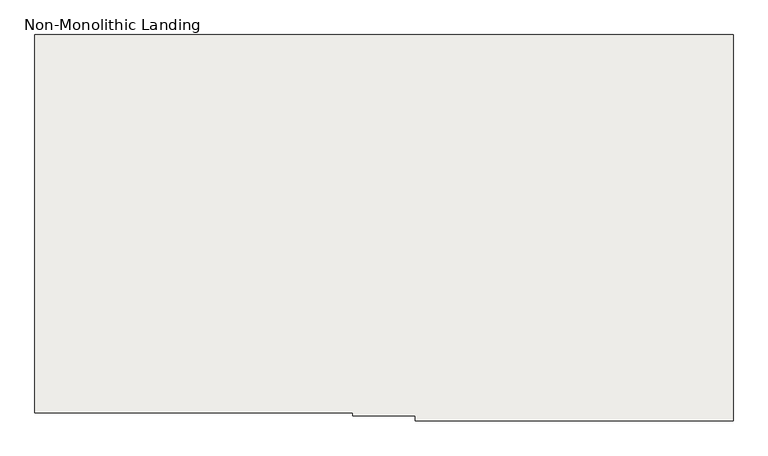
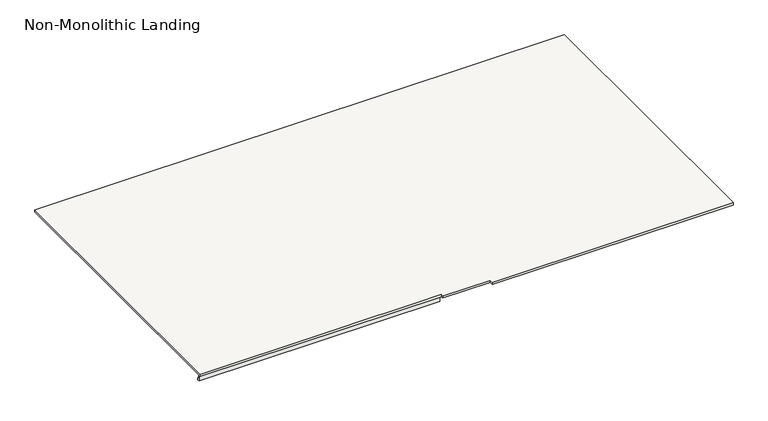
"""IFC4 building model written with IfcOpenShell, lengths in millimetres: slab geometry, Non-Monolithic Landing."""

from ifc_helpers import new_model, si_unit, origin, place, context, project, spatial, faceted_brep, source, transform, mapped, element, save


def non_monolithic_landing_ad96daf7(model_context):
    return source(origin(), model_context, "Body", "Brep", [
        faceted_brep([(-11015.7515248, -9238.9832568, 2321.5294118), (-11015.7515248, -10428.9832568, 2321.5294118), (-10015.7515248, -10428.9832568, 2321.5294118), (-10015.7515248, -10438.9832568, 2321.5294118), (-9819.2515248, -10438.9832568, 2321.5294118), (-9819.2515248, -10453.9832568, 2321.5294118), (-8819.2515248, -10453.9832568, 2321.5294118), (-8819.2515248, -10438.9832568, 2321.5294118), (-8819.2515248, -9238.9832568, 2321.5294118), (-10015.7515248, -10428.9832568, 2311.5294118), (-11015.7515248, -10428.9832568, 2311.5294118), (-11015.7515248, -10418.9832568, 2311.5294118), (-10015.7515248, -10418.9832568, 2311.5294118), (-10015.7515248, -10415.6889024, 2311.5294118), (-11015.7515248, -10415.6889024, 2311.5294118), (-11015.7515248, -9238.9832568, 2311.5294118), (-8819.2515248, -9238.9832568, 2311.5294118), (-8819.2515248, -10438.9832568, 2311.5294118), (-8819.2515248, -10453.9832568, 2311.5294118), (-9819.2515248, -10453.9832568, 2311.5294118), (-9819.2515248, -10438.9832568, 2311.5294118), (-10015.7515248, -10438.9832568, 2311.5294118), (-11015.7515248, -10415.6889024, 2294.8944381), (-11015.7515248, -10409.7889347, 2294.9074412), (-11015.7515248, -10409.7889347, 2285.6487924), (-11015.7515248, -10418.9832568, 2285.6487924), (-10015.7515248, -10418.9832568, 2285.6487924), (-10015.7515248, -10409.7889347, 2285.6487924), (-10015.7515248, -10409.7889347, 2294.9074412), (-10015.7515248, -10415.6889024, 2294.8944381)], [[[0, 1, 2, 3, 4, 5, 6, 7, 8]], [[9, 10, 11, 12, 13, 14, 15, 16, 17, 18, 19, 20, 21]], [[8, 7, 17, 16]], [[0, 8, 16, 15]], [[0, 15, 14, 22, 23, 24, 25, 11, 10, 1]], [[26, 27, 28, 29, 13, 12]], [[25, 26, 12, 11]], [[27, 26, 25, 24]], [[28, 27, 24, 23]], [[29, 28, 23, 22]], [[29, 22, 14, 13]], [[2, 1, 10, 9]], [[3, 2, 9, 21]], [[4, 3, 21, 20]], [[5, 4, 20, 19]], [[6, 5, 19, 18]], [[7, 6, 18, 17]]]),
    ])


if __name__ == "__main__":
    model = new_model("IFC4")
    model_context = context("Model", 3, world=origin())
    ifc_project = project(units=[si_unit("LENGTHUNIT", "METRE", prefix="MILLI")], contexts=[model_context])
    site = spatial("IfcSite", under=ifc_project)
    building = spatial("IfcBuilding", under=site)
    placement = place(None, origin())
    non_monolithic_landing_shape = non_monolithic_landing_ad96daf7(model_context)
    element("IfcSlab", 1, ObjectType="Non-Monolithic Landing", at=placement, inside=building, context=model_context, shape_type="MappedRepresentation", body=[
        mapped(non_monolithic_landing_shape, transform((0.0, 0.0, 0.0), x_axis=(1.0, 0.0, 0.0), y_axis=(0.0, 1.0, 0.0), z_axis=(0.0, 0.0, 1.0))),
    ])
    save(model, "model.ifc")
